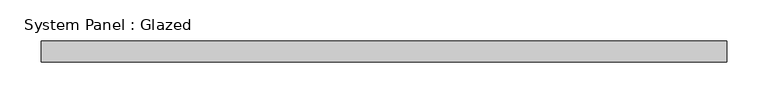
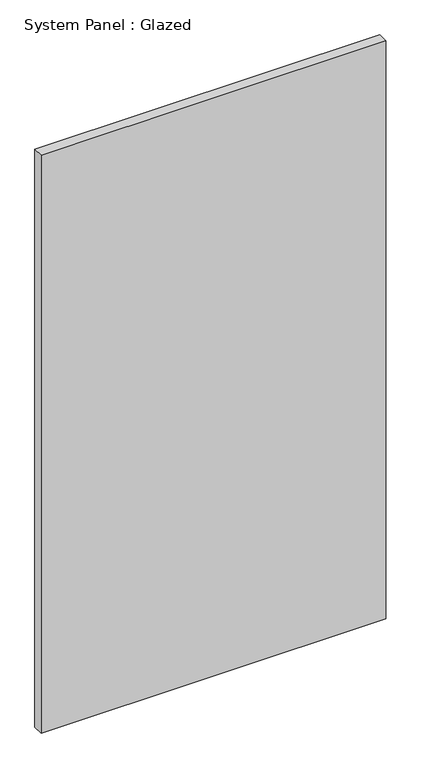
"""IFC4 building model written with IfcOpenShell, lengths in millimetres: plate geometry, System Panel : Glazed."""

from ifc_helpers import new_model, si_unit, origin, origin_with_axes, place, context, project, spatial, polyline, outline, extrude, source, transform, mapped, element, save


def system_panel_glazed_f70895cc(model_context):
    return source(origin(), model_context, "Body", "SweptSolid", [
        extrude(outline(polyline([(413.8083333, 19.05), (-413.8083333, 19.05), (-413.8083333, 44.45), (413.8083333, 44.45), (413.8083333, 19.05)])), origin_with_axes(), (0.0, 0.0, 1.0), 1466.85),
    ])


if __name__ == "__main__":
    model = new_model("IFC4")
    model_context = context("Model", 3, world=origin())
    ifc_project = project(units=[si_unit("LENGTHUNIT", "METRE", prefix="MILLI")], contexts=[model_context])
    site = spatial("IfcSite", under=ifc_project)
    building = spatial("IfcBuilding", under=site)
    placement = place(None, origin())
    system_panel_glazed_shape = system_panel_glazed_f70895cc(model_context)
    element("IfcPlate", 1, ObjectType="System Panel : Glazed", at=placement, inside=building, context=model_context, shape_type="MappedRepresentation", body=[
        mapped(system_panel_glazed_shape, transform((0.0, 0.0, 0.0), x_axis=(1.0, 0.0, 0.0), y_axis=(0.0, 1.0, 0.0), z_axis=(0.0, 0.0, 1.0))),
    ])
    save(model, "model.ifc")
